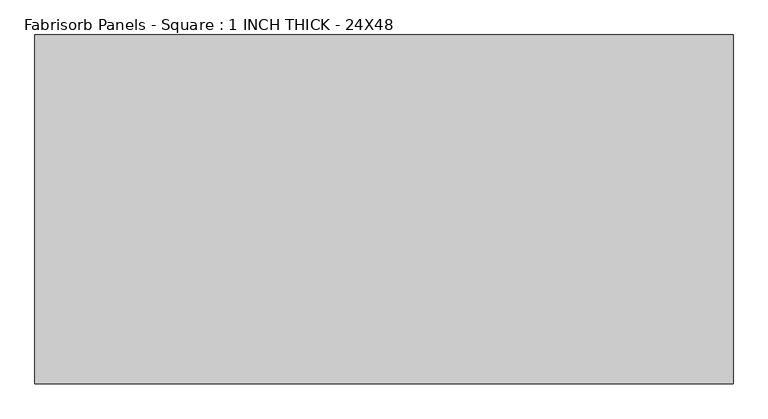
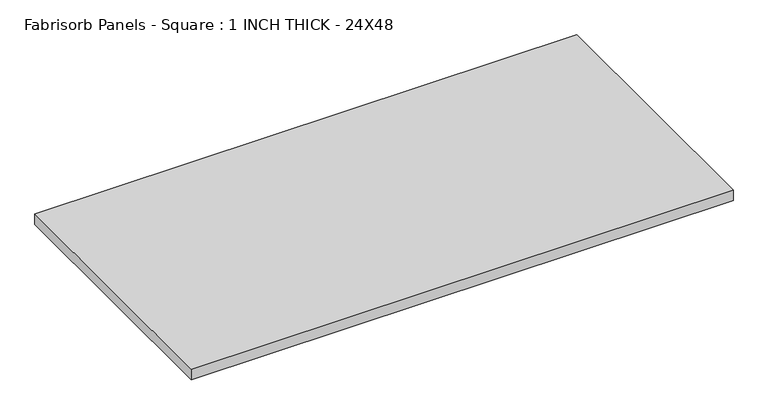
"""IFC4 building model written with IfcOpenShell, lengths in millimetres: proxy geometry, Fabrisorb Panels - Square : 1 INCH THICK - 24X48."""

from ifc_helpers import new_model, si_unit, origin, origin_with_axes, place, context, project, spatial, polyline, outline, extrude, source, transform, mapped, element, save


def fabrisorb_panels_square_1_inch_thick_24x48_82ed4230(model_context):
    return source(origin(), model_context, "Body", "SweptSolid", [
        extrude(outline(polyline([(-609.6, 304.8), (609.6, 304.8), (609.6, -304.8), (-609.6, -304.8), (-609.6, 304.8)])), origin_with_axes(), (0.0, 0.0, 1.0), 25.4),
    ])


if __name__ == "__main__":
    model = new_model("IFC4")
    model_context = context("Model", 3, world=origin())
    ifc_project = project(units=[si_unit("LENGTHUNIT", "METRE", prefix="MILLI")], contexts=[model_context])
    site = spatial("IfcSite", under=ifc_project)
    building = spatial("IfcBuilding", under=site)
    placement = place(None, origin())
    fabrisorb_panels_square_1_inch_thick_24x48_shape = fabrisorb_panels_square_1_inch_thick_24x48_82ed4230(model_context)
    element("IfcBuildingElementProxy", 1, Name="Fabrisorb Panels - Square : 1 INCH THICK - 24X48", ObjectType="Fabrisorb Panels - Square : 1 INCH THICK - 24X48", at=placement, inside=building, context=model_context, shape_type="MappedRepresentation", body=[
        mapped(fabrisorb_panels_square_1_inch_thick_24x48_shape, transform((0.0, 0.0, 0.0), x_axis=(1.0, 0.0, 0.0), y_axis=(0.0, 1.0, 0.0), z_axis=(0.0, 0.0, 1.0))),
    ])
    save(model, "model.ifc")
